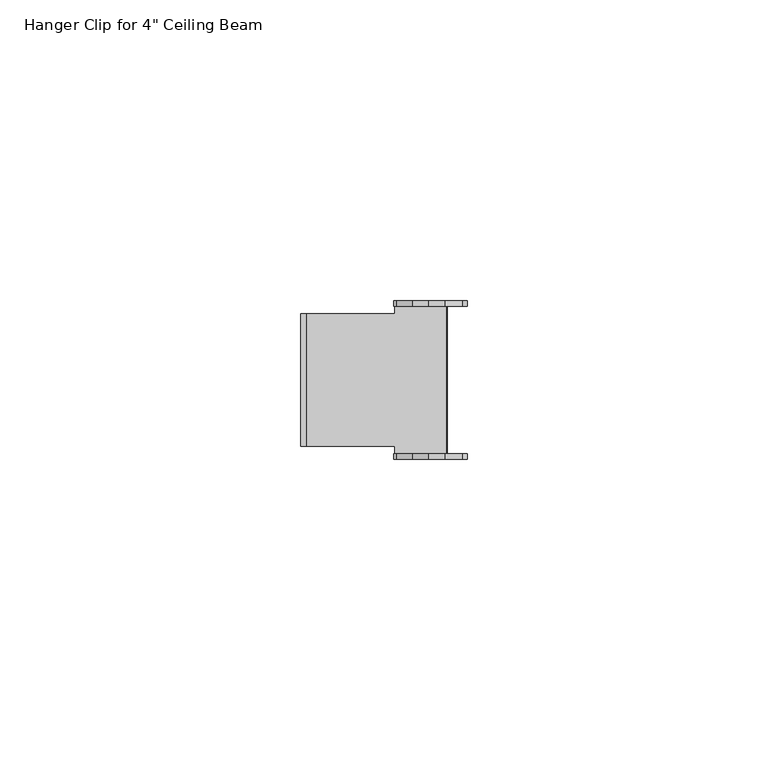
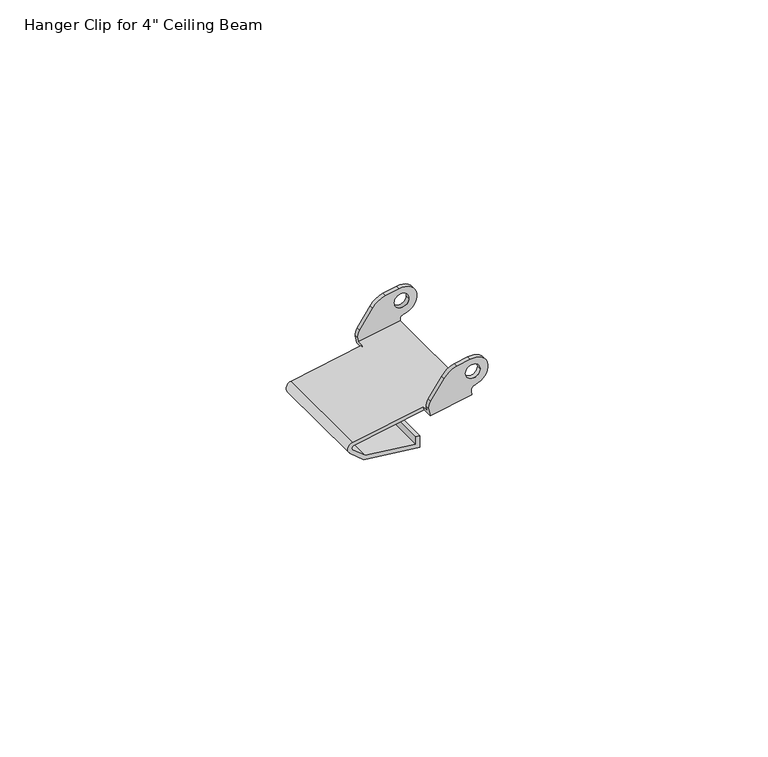
"""IFC4 building model written with IfcOpenShell, lengths in millimetres: proxy geometry."""

import ifcopenshell
import ifcopenshell.guid

model = None  # the IFC model being written
_history = None  # IfcOwnerHistory: only IFC2X3 demands one
_inside = {}  # id of a spatial element -> (the spatial element, [elements in it])
_under = {}  # id of a project, library or spatial element -> (it, [spatial elements below it])
_declared = {}  # id of a project -> (the project, [libraries it declares])
_typed = {}  # id of a type object -> (the type object, [elements of that type])
_made_of = {}  # id of a material, layer set ... -> (it, [elements and type objects made of it])


def new_model(schema):
    """Start an empty IFC model of exactly this schema.

    Asked for "IFC4X3", IfcOpenShell would pick the latest addendum, in which some entities
    have other attributes; the version numbers below select the first issue.
    IFC2X3 requires an IfcOwnerHistory on every rooted entity: one is made here for all.
    """
    global model, _history
    if schema == "IFC4X3":
        model = ifcopenshell.file(schema_version=(4, 3, 0, 0))
    else:
        model = ifcopenshell.file(schema=schema)
    _inside.clear()
    _under.clear()
    _declared.clear()
    _typed.clear()
    _made_of.clear()
    _history = None
    if model.schema == "IFC2X3":
        org = make("IfcOrganization", Name="unknown")
        user = make(
            "IfcPersonAndOrganization",
            ThePerson=make("IfcPerson", FamilyName="unknown"),
            TheOrganization=org,
        )
        app = make(
            "IfcApplication",
            ApplicationDeveloper=org,
            Version="unknown",
            ApplicationFullName="unknown",
            ApplicationIdentifier="unknown",
        )
        _history = make(
            "IfcOwnerHistory",
            OwningUser=user,
            OwningApplication=app,
            ChangeAction="ADDED",
            CreationDate=0,
        )
    return model


def make(cls, **values):
    """One entity of the class cls with the attributes given. An attribute that is None is left unset."""
    return model.create_entity(
        cls, **{name: value for name, value in values.items() if value is not None}
    )


def rooted(cls, **values):
    """An entity with a GlobalId (a new one), such as an element, a storey or a relation."""
    return make(cls, GlobalId=ifcopenshell.guid.new(), OwnerHistory=_history, **values)


def si_unit(unit_type, name, prefix=None):
    """IfcSIUnit, for example si_unit("LENGTHUNIT", "METRE", prefix="MILLI")."""
    return make("IfcSIUnit", UnitType=unit_type, Prefix=prefix, Name=name)


def assignment(units):
    """IfcUnitAssignment: the units of a project."""
    return None if units is None else make("IfcUnitAssignment", Units=units)


def point(xyz):
    """IfcCartesianPoint."""
    return None if xyz is None else make("IfcCartesianPoint", Coordinates=xyz)


def direction(xyz):
    """IfcDirection."""
    return None if xyz is None else make("IfcDirection", DirectionRatios=xyz)


def frame(location, z_axis=None, x_axis=None):
    """IfcAxis2Placement3D, a coordinate frame: its origin and axes. An axis left out is left unset."""
    return make(
        "IfcAxis2Placement3D",
        Location=point(location),
        Axis=direction(z_axis),
        RefDirection=direction(x_axis),
    )


def origin():
    """The frame at (0, 0, 0) with its axes left unset."""
    return frame((0.0, 0.0, 0.0))


def place(relative_to, where):
    """IfcLocalPlacement: puts the frame where relative to a parent placement (None: the world)."""
    return make(
        "IfcLocalPlacement", PlacementRelTo=relative_to, RelativePlacement=where
    )


def context(
    kind, dimensions, precision=None, world=None, true_north=None, identifier=None
):
    """IfcGeometricRepresentationContext, for example the 3D "Model" context."""
    return make(
        "IfcGeometricRepresentationContext",
        ContextIdentifier=identifier,
        ContextType=kind,
        CoordinateSpaceDimension=dimensions,
        Precision=precision,
        WorldCoordinateSystem=world,
        TrueNorth=true_north,
    )


def project(units=None, contexts=None):
    """IfcProject with its units and contexts."""
    return rooted(
        "IfcProject",
        Name="project",
        RepresentationContexts=contexts,
        UnitsInContext=assignment(units),
    )


def spatial(cls, under=None, at=None, **own):
    """A site, building, storey or space (cls), placed at a placement, below another one or the project."""
    s = rooted(cls, ObjectPlacement=at, **own)
    if under is not None:
        _under.setdefault(under.id(), (under, []))[1].append(s)
    return s


def polyline(points):
    """IfcPolyline through the points."""
    return make("IfcPolyline", Points=[point(p) for p in points])


def circle_curve(where, radius):
    """IfcCircle in the frame where."""
    return make("IfcCircle", Position=where, Radius=radius)


def shape(context_of_items, identifier, shape_type, items):
    """IfcShapeRepresentation: the items that make up one representation, for example the "Body"."""
    return make(
        "IfcShapeRepresentation",
        ContextOfItems=context_of_items,
        RepresentationIdentifier=identifier,
        RepresentationType=shape_type,
        Items=items,
    )


def source(mapping_origin, context_of_items, identifier, shape_type, items):
    """IfcRepresentationMap: a shape defined once, which mapped items show again and again."""
    return make(
        "IfcRepresentationMap",
        MappingOrigin=mapping_origin,
        MappedRepresentation=shape(context_of_items, identifier, shape_type, items),
    )


def transform(
    local_origin,
    x_axis=None,
    y_axis=None,
    z_axis=None,
    scale=None,
    scale2=None,
    scale3=None,
    uniform=True,
):
    """IfcCartesianTransformationOperator3D, or its non-uniform kind. x_axis, y_axis, z_axis: its Axis1, 2, 3."""
    if uniform:
        return make(
            "IfcCartesianTransformationOperator3D",
            Axis1=direction(x_axis),
            Axis2=direction(y_axis),
            LocalOrigin=point(local_origin),
            Scale=scale,
            Axis3=direction(z_axis),
        )
    return make(
        "IfcCartesianTransformationOperator3DnonUniform",
        Axis1=direction(x_axis),
        Axis2=direction(y_axis),
        LocalOrigin=point(local_origin),
        Scale=scale,
        Axis3=direction(z_axis),
        Scale2=scale2,
        Scale3=scale3,
    )


def mapped(mapping_source, mapping_target):
    """IfcMappedItem: shows the shape of a source again, moved by a transform."""
    return make(
        "IfcMappedItem", MappingSource=mapping_source, MappingTarget=mapping_target
    )


def made_of(thing, what):
    """Note that an element or type object is made of a material, layer set ...; save() writes the relation."""
    if what is not None:
        _made_of.setdefault(what.id(), (what, []))[1].append(thing)
    return thing


def element(
    cls,
    number,
    at=None,
    inside=None,
    cuts=None,
    type_object=None,
    material=None,
    context=None,
    identifier="Body",
    shape_type=None,
    held_by="IfcProductDefinitionShape",
    body=None,
    shapes=None,
    **own,
):
    """One element of the class cls, such as IfcWall. Its Tag is "e" and its number.

    at: its placement. inside: the storey or other place that contains it. cuts: it is an
    opening in that element (IfcRelVoidsElement). A single representation is given by context,
    identifier, shape_type and body (its items); several are given by shapes. held_by: the class
    of the entity that holds the representations. save() writes the other relations.
    """
    e = rooted(cls, Tag="e%d" % number, ObjectPlacement=at, **own)
    if body is not None:
        shapes = [shape(context, identifier, shape_type, body)]
    if shapes is not None:
        e.Representation = make(held_by, Representations=shapes)
    if inside is not None:
        _inside.setdefault(inside.id(), (inside, []))[1].append(e)
    if cuts is not None:
        rooted(
            "IfcRelVoidsElement", RelatingBuildingElement=cuts, RelatedOpeningElement=e
        )
    if type_object is not None:
        _typed.setdefault(type_object.id(), (type_object, []))[1].append(e)
    return made_of(e, material)


def aggregate(whole, parts):
    """IfcRelAggregates: a whole, such as a stair, and the parts it consists of."""
    return rooted("IfcRelAggregates", RelatingObject=whole, RelatedObjects=parts)


def save(model, path):
    """Write the relations noted so far, then the file.

    IfcRelAggregates (storeys below a building ...), IfcRelContainedInSpatialStructure (elements
    in a storey), IfcRelDefinesByType, IfcRelAssociatesMaterial and IfcRelDeclares: one each for
    every whole, place, type object, material and project.
    """
    for whole, parts in _under.values():
        aggregate(whole, parts)
    for where, things in _inside.values():
        rooted(
            "IfcRelContainedInSpatialStructure",
            RelatedElements=things,
            RelatingStructure=where,
        )
    for kind, things in _typed.values():
        rooted("IfcRelDefinesByType", RelatedObjects=things, RelatingType=kind)
    for what, things in _made_of.values():
        rooted("IfcRelAssociatesMaterial", RelatedObjects=things, RelatingMaterial=what)
    for by, libraries in _declared.values():
        rooted("IfcRelDeclares", RelatingContext=by, RelatedDefinitions=libraries)
    model.write(path)


def plane_surface(at):
    """IfcPlane: the flat surface through the origin of the frame at, square to its z axis."""
    return make("IfcPlane", Position=at)


def cylinder_surface(at, radius):
    """IfcCylindricalSurface: all points at the distance radius from the z axis of the frame at."""
    return make("IfcCylindricalSurface", Position=at, Radius=radius)


def revolved_surface(curve, axis_point, axis_direction):
    """IfcSurfaceOfRevolution: the curve turned about the line through axis_point along axis_direction."""
    return make(
        "IfcSurfaceOfRevolution",
        SweptCurve=make("IfcArbitraryOpenProfileDef", ProfileType="CURVE", Curve=curve),
        AxisPosition=make("IfcAxis1Placement", Location=point(axis_point), Axis=direction(axis_direction)),
    )


def advanced_brep(points, edges, surfaces, faces):
    """IfcAdvancedBrep: a solid bounded by faces that lie on surfaces and meet in shared edges.

    An edge is (start, end): straight between two places in points (the first is 0);
    or (start, end, curve); or (start, end, curve, False) where it runs against its curve.
    A face is (place in surfaces, loops), or (place, loops, False) where it looks against
    its surface's normal. A loop lists edges by number (the first is 1), with a minus sign
    where the edge is run from its end to its start. The first loop is the outer one.
    """
    corners = [point(p) for p in points]
    vertices = [make("IfcVertexPoint", VertexGeometry=c) for c in corners]
    made = []
    for start, end, *more in edges:
        made.append(
            make(
                "IfcEdgeCurve",
                EdgeStart=vertices[start],
                EdgeEnd=vertices[end],
                EdgeGeometry=more[0] if more else make("IfcPolyline", Points=[corners[start], corners[end]]),
                SameSense=more[1] if len(more) > 1 else True,
            )
        )
    hull = []
    for where, loops, *sense in faces:
        bounds = []
        for j, loop in enumerate(loops):
            ring = [make("IfcOrientedEdge", EdgeElement=made[abs(k) - 1], Orientation=k > 0) for k in loop]
            bounds.append(
                make(
                    "IfcFaceOuterBound" if j == 0 else "IfcFaceBound",
                    Bound=make("IfcEdgeLoop", EdgeList=ring),
                    Orientation=True,
                )
            )
        hull.append(make("IfcAdvancedFace", Bounds=bounds, FaceSurface=surfaces[where], SameSense=sense[0] if sense else True))
    return make("IfcAdvancedBrep", Outer=make("IfcClosedShell", CfsFaces=hull))


def proxy_b9af38a7(model_context):
    return source(origin(), model_context, "Body", "AdvancedBrep", [
        advanced_brep(
        [(21.2863514, 11.0, 102.6188859), (21.2863514, 12.245, 102.6188859), (21.1387707, 12.245, 103.415328), (21.1387707, 13.145, 103.415328), (21.433932, 13.145, 101.8224438), (21.433932, 11.0, 101.8224438), (30.0477112, 13.145, 103.4185762), (30.0477112, -13.145, 103.4185762), (21.433932, -13.145, 101.8224438), (21.433932, -11.0, 101.8224438), (6.8543441, -11.0, 99.1208477), (6.8543441, 11.0, 99.1208477), (29.9001306, 12.245, 104.2150183), (29.9001306, -12.245, 104.2150183), (29.8956427, -13.145, 104.2392378), (29.8956427, 13.145, 104.2392378), (6.7067635, 11.0, 99.9172898), (6.7067635, -11.0, 99.9172898), (21.2863514, -11.0, 102.6188859), (21.2863514, -12.245, 102.6188859), (28.1, -12.245, 103.8814543), (28.1, 12.245, 103.8814543), (21.1387707, -13.145, 103.415328), (21.1387707, -12.245, 103.415328), (26.876769, -12.245, 110.721481), (29.7042184, -12.245, 111.2454071), (32.6307721, -12.245, 110.4740625), (30.7177938, -12.245, 105.4083724), (21.6011324, -12.245, 105.0033022), (24.3004023, -12.245, 108.9304459), (28.7143228, -12.245, 108.4925485), (31.7143228, -12.245, 108.4925485), (26.876769, -13.145, 110.721481), (24.3004023, -13.145, 108.9304459), (21.6011324, -13.145, 105.0033022), (30.7177938, -13.145, 105.4083724), (32.6307721, -13.145, 110.4740625), (29.7042184, -13.145, 111.2454071), (28.7143228, -13.145, 108.4925485), (31.7143228, -13.145, 108.4925485), (6.1418282, -11.0, 97.7331882), (8.9964522, -11.0, 95.3798362), (20.5042149, -11.0, 94.0682511), (20.5261105, -11.0, 96.5663983), (19.7160793, -11.0, 96.5663983), (19.7021304, -11.0, 94.9749118), (9.3265669, -11.0, 96.1574558), (6.6570752, -11.0, 98.3581846), (6.6570752, 11.0, 98.3581846), (9.3265669, 11.0, 96.1574558), (19.7021304, 11.0, 94.9749118), (19.7160793, 11.0, 96.5663983), (20.5261105, 11.0, 96.5663983), (20.5042149, 11.0, 94.0682511), (8.9964522, 11.0, 95.3798362), (6.1418282, 11.0, 97.7331882), (26.876769, 12.245, 110.721481), (24.3004023, 12.245, 108.9304459), (21.6011324, 12.245, 105.0033022), (30.7177938, 12.245, 105.4083724), (32.6307721, 12.245, 110.4740625), (29.7042184, 12.245, 111.2454071), (28.7143228, 12.245, 108.4925485), (31.7143228, 12.245, 108.4925485), (26.876769, 13.145, 110.721481), (29.7042184, 13.145, 111.2454071), (32.6307721, 13.145, 110.4740625), (30.7177938, 13.145, 105.4083724), (21.6011324, 13.145, 105.0033022), (24.3004023, 13.145, 108.9304459), (28.7143228, 13.145, 108.4925485), (31.7143228, 13.145, 108.4925485)],
        [
            (0, 1),
            (1, 2),
            (2, 3),
            (3, 4),
            (4, 5),
            (5, 0),
            (4, 6),
            (6, 7),
            (7, 8),
            (8, 9),
            (9, 10),
            (10, 11),
            (11, 5),
            (12, 13),
            (13, 14),
            (14, 7),
            (6, 15),
            (15, 12),
            (0, 16),
            (16, 17),
            (17, 18),
            (18, 19),
            (19, 20),
            (20, 13),
            (12, 21),
            (21, 1),
            (18, 9),
            (8, 22),
            (22, 23),
            (23, 19),
            (24, 25),
            (25, 26, circle_curve(frame((30.3502464, -12.245, 107.7590157), z_axis=(0.0, 1.0, 0.0), x_axis=(0.6431732914476824, 0.0, 0.765720652175684)), 3.5457407)),
            (26, 27, circle_curve(frame((30.2143228, -12.245, 108.4925485), z_axis=(0.0, 1.0, 0.0), x_axis=(0.16111070983935105, 0.0, -0.9869363399809841)), 3.125)),
            (27, 13, circle_curve(frame((30.8789045, -12.245, 104.4214361), z_axis=(0.0, -1.0, 0.0), x_axis=(-0.9832618043766904, 0.0, -0.18219830969000506)), 1.0)),
            (23, 28, circle_curve(frame((23.7751837, -12.245, 103.508997), z_axis=(0.0, 1.0, 0.0), x_axis=(-0.8241047498588704, 0.0, 0.5664374292541489)), 2.6380764)),
            (28, 29),
            (29, 24, circle_curve(frame((27.9595515, -12.245, 106.4153784), z_axis=(0.0, 1.0, 0.0), x_axis=(-0.24386165076657326, 0.0, 0.9698100305139156)), 4.4401506)),
            (30, 31, circle_curve(frame((30.2143228, -12.245, 108.4925485), z_axis=(0.0, -1.0, 0.0), x_axis=(1.0, 0.0, 0.0)), 1.5)),
            (31, 30, circle_curve(frame((30.2143228, -12.245, 108.4925485), z_axis=(0.0, -1.0, 0.0), x_axis=(1.0, 0.0, 0.0)), 1.5)),
            (32, 33, circle_curve(frame((27.9595515, -13.145, 106.4153784), z_axis=(0.0, -1.0, 0.0), x_axis=(-0.24386165076657326, 0.0, 0.9698100305139156)), 4.4401506)),
            (33, 34),
            (34, 22, circle_curve(frame((23.7751837, -13.145, 103.508997), z_axis=(0.0, -1.0, 0.0), x_axis=(-0.8241047498588704, 0.0, 0.5664374292541489)), 2.6380764)),
            (14, 35, circle_curve(frame((30.8789045, -13.145, 104.4214361), z_axis=(0.0, 1.0, 0.0), x_axis=(-0.9832618043766904, 0.0, -0.18219830969000506)), 1.0)),
            (35, 36, circle_curve(frame((30.2143228, -13.145, 108.4925485), z_axis=(0.0, -1.0, 0.0), x_axis=(0.16111070983935105, 0.0, -0.9869363399809841)), 3.125)),
            (36, 37, circle_curve(frame((30.3502464, -13.145, 107.7590157), z_axis=(0.0, -1.0, 0.0), x_axis=(0.6431732914476824, 0.0, 0.765720652175684)), 3.5457407)),
            (37, 32),
            (38, 39, circle_curve(frame((30.2143228, -13.145, 108.4925485), z_axis=(0.0, 1.0, 0.0), x_axis=(1.0, 0.0, 0.0)), 1.5)),
            (39, 38, circle_curve(frame((30.2143228, -13.145, 108.4925485), z_axis=(0.0, 1.0, 0.0), x_axis=(1.0, 0.0, 0.0)), 1.5)),
            (29, 33),
            (32, 24),
            (28, 34),
            (27, 35),
            (26, 36),
            (25, 37),
            (31, 39),
            (38, 30),
            (17, 40, circle_curve(frame((6.9335275, -11.0, 98.6935222), z_axis=(0.0, -1.0, 0.0), x_axis=(-0.18219830968981438, 0.0, 0.9832618043767258)), 1.2446)),
            (40, 41),
            (41, 42),
            (42, 43),
            (43, 44),
            (44, 45),
            (45, 46),
            (46, 47),
            (47, 10, circle_curve(frame((6.9335275, -11.0, 98.6935222), z_axis=(0.0, 1.0, 0.0), x_axis=(-0.636107425399565, 0.0, -0.7716005076148778)), 0.4346)),
            (11, 48, circle_curve(frame((6.9335275, 11.0, 98.6935222), z_axis=(0.0, -1.0, 0.0), x_axis=(-0.636107425399565, 0.0, -0.7716005076148778)), 0.4346)),
            (48, 49),
            (49, 50),
            (50, 51),
            (51, 52),
            (52, 53),
            (53, 54),
            (54, 55),
            (55, 16, circle_curve(frame((6.9335275, 11.0, 98.6935222), z_axis=(0.0, 1.0, 0.0), x_axis=(-0.18219830968981438, 0.0, 0.9832618043767258)), 1.2446)),
            (55, 40),
            (54, 41),
            (53, 42),
            (52, 43),
            (51, 44),
            (50, 45),
            (49, 46),
            (48, 47),
            (56, 57, circle_curve(frame((27.9595515, 12.245, 106.4153784), z_axis=(0.0, -1.0, 0.0), x_axis=(-0.24386165076657326, 0.0, 0.9698100305139156)), 4.4401506)),
            (57, 58),
            (58, 2, circle_curve(frame((23.7751837, 12.245, 103.508997), z_axis=(0.0, -1.0, 0.0), x_axis=(-0.8241047498588704, 0.0, 0.5664374292541489)), 2.6380764)),
            (12, 59, circle_curve(frame((30.8789045, 12.245, 104.4214361), z_axis=(0.0, 1.0, 0.0), x_axis=(-0.9832618043766904, 0.0, -0.18219830969000506)), 1.0)),
            (59, 60, circle_curve(frame((30.2143228, 12.245, 108.4925485), z_axis=(0.0, -1.0, 0.0), x_axis=(0.16111070983935105, 0.0, -0.9869363399809841)), 3.125)),
            (60, 61, circle_curve(frame((30.3502464, 12.245, 107.7590157), z_axis=(0.0, -1.0, 0.0), x_axis=(0.6431732914476824, 0.0, 0.765720652175684)), 3.5457407)),
            (61, 56),
            (62, 63, circle_curve(frame((30.2143228, 12.245, 108.4925485), z_axis=(0.0, 1.0, 0.0), x_axis=(1.0, 0.0, 0.0)), 1.5)),
            (63, 62, circle_curve(frame((30.2143228, 12.245, 108.4925485), z_axis=(0.0, 1.0, 0.0), x_axis=(1.0, 0.0, 0.0)), 1.5)),
            (64, 65),
            (65, 66, circle_curve(frame((30.3502464, 13.145, 107.7590157), z_axis=(0.0, 1.0, 0.0), x_axis=(0.6431732914476824, 0.0, 0.765720652175684)), 3.5457407)),
            (66, 67, circle_curve(frame((30.2143228, 13.145, 108.4925485), z_axis=(0.0, 1.0, 0.0), x_axis=(0.16111070983935105, 0.0, -0.9869363399809841)), 3.125)),
            (67, 15, circle_curve(frame((30.8789045, 13.145, 104.4214361), z_axis=(0.0, -1.0, 0.0), x_axis=(-0.9832618043766904, 0.0, -0.18219830969000506)), 1.0)),
            (3, 68, circle_curve(frame((23.7751837, 13.145, 103.508997), z_axis=(0.0, 1.0, 0.0), x_axis=(-0.8241047498588704, 0.0, 0.5664374292541489)), 2.6380764)),
            (68, 69),
            (69, 64, circle_curve(frame((27.9595515, 13.145, 106.4153784), z_axis=(0.0, 1.0, 0.0), x_axis=(-0.24386165076657326, 0.0, 0.9698100305139156)), 4.4401506)),
            (70, 71, circle_curve(frame((30.2143228, 13.145, 108.4925485), z_axis=(0.0, -1.0, 0.0), x_axis=(1.0, 0.0, 0.0)), 1.5)),
            (71, 70, circle_curve(frame((30.2143228, 13.145, 108.4925485), z_axis=(0.0, -1.0, 0.0), x_axis=(1.0, 0.0, 0.0)), 1.5)),
            (56, 64),
            (69, 57),
            (68, 58),
            (67, 59),
            (66, 60),
            (65, 61),
            (62, 70),
            (71, 63),
        ],
        [
            plane_surface(frame((21.2863514, 11.0, 102.6188859), z_axis=(-0.9832618043767257, 0.0, -0.1821983096898148), x_axis=(0.0, 1.0, 0.0))),
            plane_surface(frame((21.433932, 11.0, 101.8224438), z_axis=(0.1821983096898155, 0.0, -0.9832618043767256), x_axis=(0.0, 1.0, 0.0))),
            plane_surface(frame((30.0477112, 11.0, 103.4185762), z_axis=(0.9832618043766893, 0.0, 0.1821983096900115), x_axis=(0.0, 1.0, 0.0))),
            plane_surface(frame((29.9001306, 11.0, 104.2150183), z_axis=(-0.18219830968981637, 0.0, 0.9832618043767254), x_axis=(0.0, 1.0, 0.0))),
            plane_surface(frame((21.433932, -11.0, 101.8224438), z_axis=(-0.9832618043767257, 0.0, -0.18219830968981504), x_axis=(0.0, -1.0, 0.0))),
            plane_surface(frame((29.7042184, -12.245, 111.2454071), z_axis=(0.0, 1.0000000000000002, 0.0), x_axis=(0.983261804376724, 0.0, 0.18219830968982445))),
            plane_surface(frame((29.7042184, -13.145, 111.2454071), z_axis=(0.0, -1.0000000000000002, 0.0), x_axis=(-0.983261804376724, 0.0, -0.18219830968982445))),
            cylinder_surface(frame((27.9595515, -13.145, 106.4153784), z_axis=(0.0, 1.0, 0.0), x_axis=(-0.24386165076657326, 0.0, 0.9698100305139156)), 4.4401506),
            plane_surface(frame((21.6011324, -12.245, 105.0033022), z_axis=(-0.8241047498588712, 0.0, 0.5664374292541475), x_axis=(0.0, -1.0, 0.0))),
            cylinder_surface(frame((23.7751837, -13.145, 103.508997), z_axis=(0.0, 1.0000000000000002, 0.0), x_axis=(-0.8241047498588704, 0.0, 0.5664374292541489)), 2.6380764),
            revolved_surface(polyline([(29.89564269562331, -13.145, 104.23923779030999), (29.89564269562331, -12.245, 104.23923779030999)]), (30.8789045, -13.145, 104.4214361), (0.0, -1.0, 0.0)),
            cylinder_surface(frame((30.2143228, -13.145, 108.4925485), z_axis=(0.0, 1.0000000000000002, 0.0), x_axis=(0.16111070983935105, 0.0, -0.9869363399809841)), 3.125),
            cylinder_surface(frame((30.3502464, -13.145, 107.7590157), z_axis=(0.0, 1.0000000000000002, 0.0), x_axis=(0.6431732914476824, 0.0, 0.765720652175684)), 3.5457407),
            plane_surface(frame((26.876769, -12.245, 110.721481), z_axis=(-0.18219830968982445, 0.0, 0.983261804376724), x_axis=(0.0, -1.0, 0.0))),
            revolved_surface(polyline([(31.7143228, -13.145, 108.4925485), (31.7143228, -12.245000000000001, 108.4925485)]), (30.2143228, 1.255, 108.4925485), (0.0, -1.0, 0.0)),
            plane_surface(frame((30.0477112, -11.0, 103.4185762), z_axis=(0.0, -1.0000000000000002, 0.0), x_axis=(-0.18219830969000608, 0.0, 0.9832618043766903))),
            plane_surface(frame((30.0477112, 11.0, 103.4185762), z_axis=(0.0, 1.0000000000000002, 0.0), x_axis=(0.18219830969000608, 0.0, -0.9832618043766903))),
            cylinder_surface(frame((6.9335275, 11.0, 98.6935222), z_axis=(0.0, -1.0000000000000002, 0.0), x_axis=(-0.18219830968981438, 0.0, 0.9832618043767258)), 1.2446),
            plane_surface(frame((6.1418282, -11.0, 97.7331882), z_axis=(-0.6361074253995633, 0.0, -0.7716005076148791), x_axis=(0.0, 1.0, 0.0))),
            plane_surface(frame((8.9964522, -11.0, 95.3798362), z_axis=(-0.11324081984959736, 0.0, -0.9935675702838691), x_axis=(0.0, 1.0, 0.0))),
            plane_surface(frame((20.5042149, -11.0, 94.0682511), z_axis=(0.9999615920532106, 0.0, -0.008764383515604839), x_axis=(0.0, 1.0, 0.0))),
            plane_surface(frame((20.5261105, -11.0, 96.5663983), z_axis=(0.0, 0.0, 1.0), x_axis=(0.0, 1.0, 0.0))),
            plane_surface(frame((19.7160793, -11.0, 96.5663983), z_axis=(-0.9999615920532106, 0.0, 0.008764383515604759), x_axis=(0.0, 1.0, 0.0))),
            plane_surface(frame((19.7021304, -11.0, 94.9749118), z_axis=(0.11324081984959784, 0.0, 0.993567570283869), x_axis=(0.0, 1.0, 0.0))),
            plane_surface(frame((9.3265669, -11.0, 96.1574558), z_axis=(0.6361074253995633, 0.0, 0.7716005076148791), x_axis=(0.0, 1.0, 0.0))),
            revolved_surface(polyline([(6.65707521292135, 11.0, 98.35818461939058), (6.65707521292135, -11.000000000000007, 98.35818461939058)]), (6.9335275, 11.0, 98.6935222), (0.0, 1.0000000000000002, 0.0)),
            plane_surface(frame((26.876769, 12.245, 110.721481), z_axis=(0.0, -1.0, 0.0), x_axis=(-0.9698100305139156, 0.0, -0.24386165076657326))),
            plane_surface(frame((26.876769, 13.145, 110.721481), z_axis=(0.0, 1.0, 0.0), x_axis=(0.9698100305139156, 0.0, 0.24386165076657326))),
            cylinder_surface(frame((27.9595515, 13.145, 106.4153784), z_axis=(0.0, -1.0, 0.0), x_axis=(-0.24386165076657326, 0.0, 0.9698100305139156)), 4.4401506),
            plane_surface(frame((24.3004023, 12.245, 108.9304459), z_axis=(-0.8241047498588712, 0.0, 0.5664374292541475), x_axis=(0.0, 1.0, 0.0))),
            cylinder_surface(frame((23.7751837, 13.145, 103.508997), z_axis=(0.0, -1.0000000000000002, 0.0), x_axis=(-0.8241047498588704, 0.0, 0.5664374292541489)), 2.6380764),
            revolved_surface(polyline([(29.89564269562331, 13.145, 104.23923779030999), (29.89564269562331, 12.245, 104.23923779030999)]), (30.8789045, 13.145, 104.4214361), (0.0, 1.0, 0.0)),
            cylinder_surface(frame((30.2143228, 13.145, 108.4925485), z_axis=(0.0, -1.0000000000000002, 0.0), x_axis=(0.16111070983935105, 0.0, -0.9869363399809841)), 3.125),
            cylinder_surface(frame((30.3502464, 13.145, 107.7590157), z_axis=(0.0, -1.0000000000000002, 0.0), x_axis=(0.6431732914476824, 0.0, 0.765720652175684)), 3.5457407),
            plane_surface(frame((29.7042184, 12.245, 111.2454071), z_axis=(-0.18219830968982445, 0.0, 0.983261804376724), x_axis=(0.0, 1.0, 0.0))),
            revolved_surface(polyline([(31.7143228, 13.145, 108.4925485), (31.7143228, 12.245000000000001, 108.4925485)]), (30.2143228, -1.255, 108.4925485), (0.0, 1.0, 0.0)),
        ],
        [
            (0, [[1, 2, 3, 4, 5, 6]]),
            (1, [[-5, 7, 8, 9, 10, 11, 12, 13]]),
            (2, [[14, 15, 16, -8, 17, 18]]),
            (3, [[-1, 19, 20, 21, 22, 23, 24, -14, 25, 26]]),
            (4, [[-22, 27, -10, 28, 29, 30]]),
            (5, [[31, 32, 33, 34, -24, -23, -30, 35, 36, 37], [38, 39]]),
            (6, [[40, 41, 42, -28, -9, -16, 43, 44, 45, 46], [47, 48]]),
            (7, [[-37, 49, -40, 50]]),
            (8, [[-36, 51, -41, -49]]),
            (9, [[-35, -29, -42, -51]]),
            (10, [[-34, 52, -43, -15]]),
            (11, [[-33, 53, -44, -52]]),
            (12, [[-32, 54, -45, -53]]),
            (13, [[-31, -50, -46, -54]]),
            (14, [[-39, 55, -47, 56]]),
            (14, [[-38, -56, -48, -55]]),
            (15, [[57, 58, 59, 60, 61, 62, 63, 64, 65, -11, -27, -21]]),
            (16, [[66, 67, 68, 69, 70, 71, 72, 73, 74, -19, -6, -13]]),
            (17, [[-57, -20, -74, 75]]),
            (18, [[-58, -75, -73, 76]]),
            (19, [[-59, -76, -72, 77]]),
            (20, [[-60, -77, -71, 78]]),
            (21, [[-61, -78, -70, 79]]),
            (22, [[-62, -79, -69, 80]]),
            (23, [[-63, -80, -68, 81]]),
            (24, [[-64, -81, -67, 82]]),
            (25, [[-65, -82, -66, -12]]),
            (26, [[83, 84, 85, -2, -26, -25, 86, 87, 88, 89], [90, 91]]),
            (27, [[92, 93, 94, 95, -17, -7, -4, 96, 97, 98], [99, 100]]),
            (28, [[-83, 101, -98, 102]]),
            (29, [[-84, -102, -97, 103]]),
            (30, [[-85, -103, -96, -3]]),
            (31, [[-86, -18, -95, 104]]),
            (32, [[-87, -104, -94, 105]]),
            (33, [[-88, -105, -93, 106]]),
            (34, [[-89, -106, -92, -101]]),
            (35, [[-90, 107, -100, 108]]),
            (35, [[-91, -108, -99, -107]]),
        ],
    ),
    ])


if __name__ == "__main__":
    model = new_model("IFC4")
    model_context = context("Model", 3, world=origin())
    ifc_project = project(units=[si_unit("LENGTHUNIT", "METRE", prefix="MILLI")], contexts=[model_context])
    site = spatial("IfcSite", under=ifc_project)
    building = spatial("IfcBuilding", under=site)
    placement = place(None, origin())
    proxy_shape = proxy_b9af38a7(model_context)
    element("IfcBuildingElementProxy", 1, Name="Hanger Clip for 4\" Ceiling Beam", ObjectType="Hanger Clip for 4\" Ceiling Beam", at=placement, inside=building, context=model_context, shape_type="MappedRepresentation", body=[
        mapped(proxy_shape, transform((0.0, 0.0, 0.0), x_axis=(1.0, 0.0, 0.0), y_axis=(0.0, 1.0, 0.0), z_axis=(0.0, 0.0, 1.0))),
    ])
    save(model, "model.ifc")
